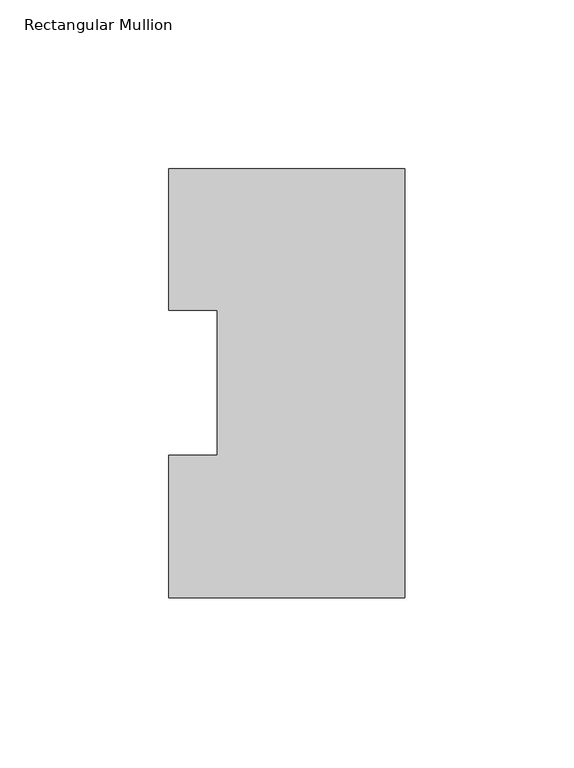
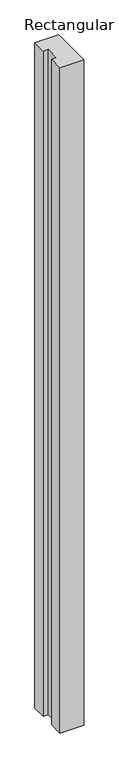
"""IFC4 building model written with IfcOpenShell, lengths in millimetres: member geometry, Rectangular Mullion."""

from ifc_helpers import new_model, si_unit, frame, origin, place, context, project, spatial, polyline, outline, extrude, source, transform, mapped, element, save


def rectangular_mullion_1d331314(model_context):
    return source(origin(), model_context, "Body", "SweptSolid", [
        extrude(outline(polyline([(-69.85, 133.6365438), (0.0, 133.6365438), (0.0, 6.6365438), (-69.85, 6.6365438), (-69.85, 48.9275438), (-55.5625, 48.9275438), (-55.5625, 91.7773438), (-69.85, 91.7773438), (-69.85, 133.6365438)])), frame((0.0, 0.0, -2060.575), z_axis=(0.0, 0.0, 1.0), x_axis=(1.0, 0.0, 0.0)), (0.0, 0.0, 1.0), 2060.575),
    ])


if __name__ == "__main__":
    model = new_model("IFC4")
    model_context = context("Model", 3, world=origin())
    ifc_project = project(units=[si_unit("LENGTHUNIT", "METRE", prefix="MILLI")], contexts=[model_context])
    site = spatial("IfcSite", under=ifc_project)
    building = spatial("IfcBuilding", under=site)
    placement = place(None, origin())
    rectangular_mullion_shape = rectangular_mullion_1d331314(model_context)
    element("IfcMember", 1, ObjectType="Rectangular Mullion", at=placement, inside=building, context=model_context, shape_type="MappedRepresentation", body=[
        mapped(rectangular_mullion_shape, transform((0.0, 0.0, 0.0), x_axis=(1.0, 0.0, 0.0), y_axis=(0.0, 1.0, 0.0), z_axis=(0.0, 0.0, 1.0))),
    ])
    save(model, "model.ifc")
